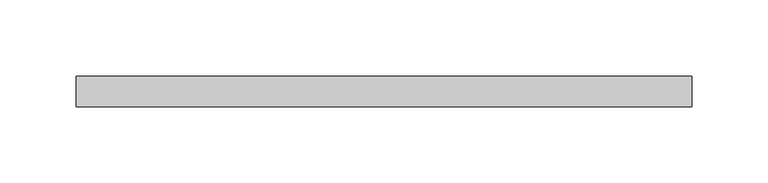
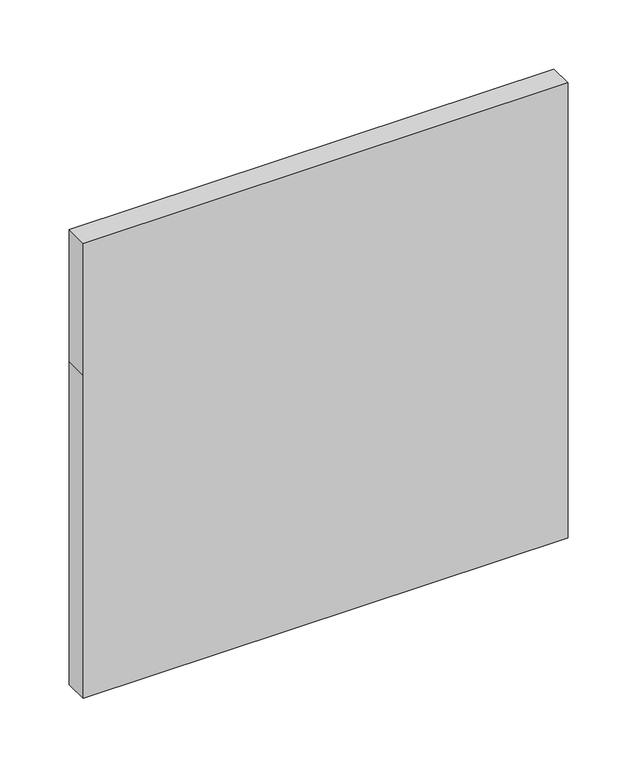
"""IFC4 building model written with IfcOpenShell, lengths in millimetres: plate geometry."""

from ifc_helpers import new_model, si_unit, frame, origin, place, context, project, spatial, polyline, outline, extrude, source, transform, mapped, element, save


def plate_bc320f13(model_context):
    return source(origin(), model_context, "Body", "SweptSolid", [
        extrude(outline(polyline([(0.0, -202.3913043), (0.0, 202.3913043), (401.6624409, 202.3913043), (401.6624409, -202.3913043), (285.2281898, -202.3913043), (0.0, -202.3913043)])), frame((0.0, 70.0, 0.0), z_axis=(0.0, 1.0, 0.0), x_axis=(0.0, 0.0, 1.0)), (0.0, 0.0, 1.0), 20.0),
    ])


if __name__ == "__main__":
    model = new_model("IFC4")
    model_context = context("Model", 3, world=origin())
    ifc_project = project(units=[si_unit("LENGTHUNIT", "METRE", prefix="MILLI")], contexts=[model_context])
    site = spatial("IfcSite", under=ifc_project)
    building = spatial("IfcBuilding", under=site)
    placement = place(None, origin())
    plate_shape = plate_bc320f13(model_context)
    element("IfcPlate", 1, at=placement, inside=building, context=model_context, shape_type="MappedRepresentation", body=[
        mapped(plate_shape, transform((0.0, 0.0, 0.0), x_axis=(1.0, 0.0, 0.0), y_axis=(0.0, 1.0, 0.0), z_axis=(0.0, 0.0, 1.0))),
    ])
    save(model, "model.ifc")
